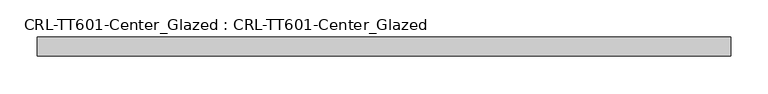
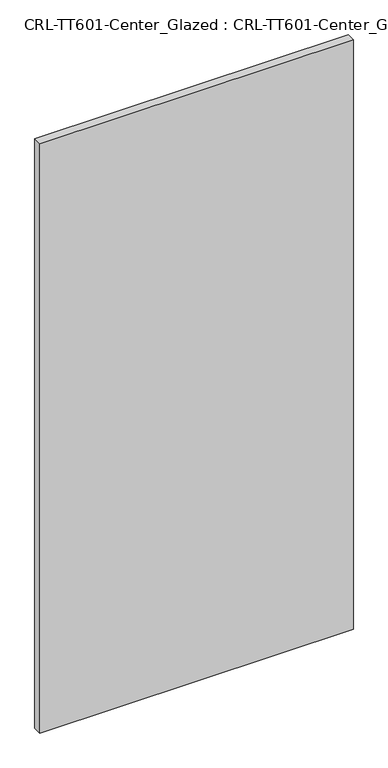
"""IFC4 building model written with IfcOpenShell, lengths in millimetres: plate geometry, CRL-TT601-Center_Glazed : CRL-TT601-Center_Glazed."""

from ifc_helpers import new_model, si_unit, origin, origin_with_axes, place, context, project, spatial, polyline, outline, extrude, source, transform, mapped, element, save


def crl_tt601_center_glazed_crl_tt601_center_glazed_ef663505(model_context):
    return source(origin(), model_context, "Body", "SweptSolid", [
        extrude(outline(polyline([(-463.5537716, -12.7254), (-463.5537716, 12.6746), (463.5537716, 12.6746), (463.5537716, -12.7254), (-463.5537716, -12.7254)])), origin_with_axes(), (0.0, 0.0, 1.0), 1841.355463),
    ])


if __name__ == "__main__":
    model = new_model("IFC4")
    model_context = context("Model", 3, world=origin())
    ifc_project = project(units=[si_unit("LENGTHUNIT", "METRE", prefix="MILLI")], contexts=[model_context])
    site = spatial("IfcSite", under=ifc_project)
    building = spatial("IfcBuilding", under=site)
    placement = place(None, origin())
    crl_tt601_center_glazed_crl_tt601_center_glazed_shape = crl_tt601_center_glazed_crl_tt601_center_glazed_ef663505(model_context)
    element("IfcPlate", 1, ObjectType="CRL-TT601-Center_Glazed : CRL-TT601-Center_Glazed", at=placement, inside=building, context=model_context, shape_type="MappedRepresentation", body=[
        mapped(crl_tt601_center_glazed_crl_tt601_center_glazed_shape, transform((0.0, 0.0, 0.0), x_axis=(1.0, 0.0, 0.0), y_axis=(0.0, 1.0, 0.0), z_axis=(0.0, 0.0, 1.0))),
    ])
    save(model, "model.ifc")
